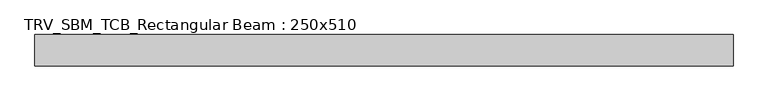
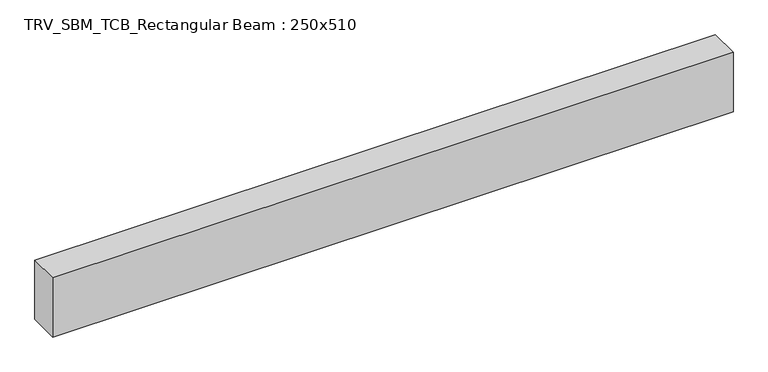
"""IFC4 building model written with IfcOpenShell, lengths in millimetres: beam geometry, TRV_SBM_TCB_Rectangular Beam : 250x510."""

from ifc_helpers import new_model, si_unit, frame, origin, place, context, project, spatial, polyline, outline, extrude, source, transform, mapped, element, save


def trv_sbm_tcb_rectangular_beam_250x510_1920dece(model_context):
    return source(origin(), model_context, "Body", "SweptSolid", [
        extrude(outline(polyline([(2773.7, 125.0), (2773.7, -125.0), (-2773.7, -125.0), (-2773.7, 125.0), (2773.7, 125.0)])), frame((0.0, 0.0, -255.0), z_axis=(0.0, 0.0, 1.0), x_axis=(1.0, 0.0, 0.0)), (0.0, 0.0, 1.0), 510.0),
    ])


if __name__ == "__main__":
    model = new_model("IFC4")
    model_context = context("Model", 3, world=origin())
    ifc_project = project(units=[si_unit("LENGTHUNIT", "METRE", prefix="MILLI")], contexts=[model_context])
    site = spatial("IfcSite", under=ifc_project)
    building = spatial("IfcBuilding", under=site)
    placement = place(None, origin())
    trv_sbm_tcb_rectangular_beam_250x510_shape = trv_sbm_tcb_rectangular_beam_250x510_1920dece(model_context)
    element("IfcBeam", 1, ObjectType="TRV_SBM_TCB_Rectangular Beam : 250x510", at=placement, inside=building, context=model_context, shape_type="MappedRepresentation", body=[
        mapped(trv_sbm_tcb_rectangular_beam_250x510_shape, transform((0.0, 0.0, 0.0), x_axis=(1.0, 0.0, 0.0), y_axis=(0.0, 1.0, 0.0), z_axis=(0.0, 0.0, 1.0))),
    ])
    save(model, "model.ifc")
